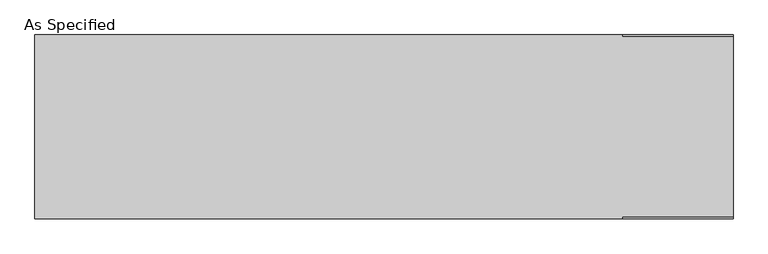
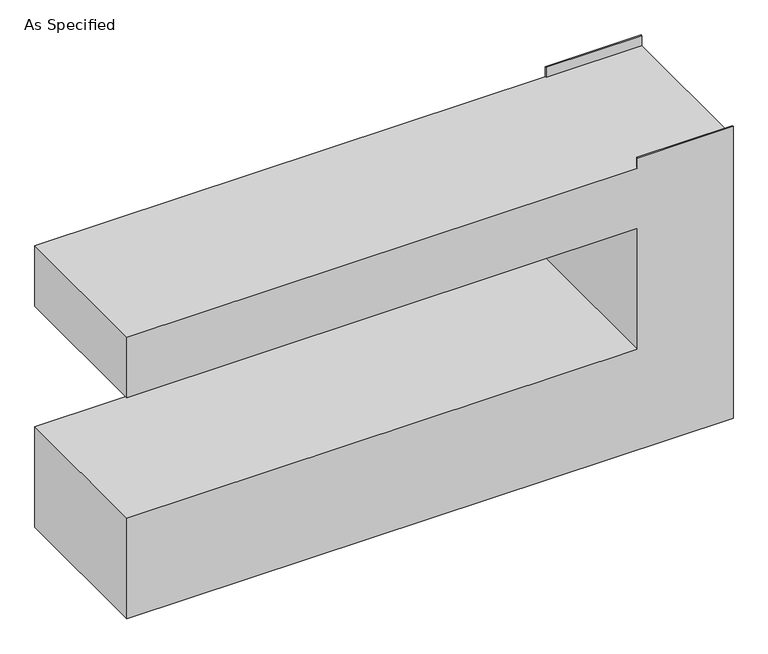
"""IFC4 building model written with IfcOpenShell, lengths in millimetres: proxy geometry, As Specified."""

from ifc_helpers import new_model, si_unit, origin, place, context, project, spatial, faceted_brep, source, transform, mapped, element, save


def as_specified_ff87a368(model_context):
    return source(origin(), model_context, "Body", "Brep", [
        faceted_brep([(-1447.8, 381.0, 1422.4), (-1447.8, -381.0, 1422.4), (990.6, -381.0, 1422.4), (990.6, -374.65, 1422.4), (1447.8, -374.65, 1422.4), (1447.8, 374.65, 1422.4), (990.6, 374.65, 1422.4), (990.6, 381.0, 1422.4), (1447.8, 381.0, 0.0), (1447.8, -381.0, 0.0), (-1447.8, -381.0, 0.0), (-1447.8, 381.0, 0.0), (-1447.8, 381.0, 508.0), (990.6, 381.0, 508.0), (990.6, 381.0, 1117.6), (-1447.8, 381.0, 1117.6), (990.6, 381.0, 1473.2), (1447.8, 381.0, 1473.2), (-1447.8, -381.0, 1117.6), (-1447.8, -381.0, 508.0), (1447.8, -381.0, 1473.2), (990.6, -381.0, 1473.2), (990.6, -381.0, 1117.6), (990.6, -381.0, 508.0), (1447.8, 374.65, 1473.2), (1447.8, -374.65, 1473.2), (990.6, -374.65, 1473.2), (990.6, 374.65, 1473.2)], [[[0, 1, 2, 3, 4, 5, 6, 7]], [[8, 9, 10, 11]], [[8, 11, 12, 13, 14, 15, 0, 7, 16, 17]], [[1, 0, 15, 18]], [[11, 10, 19, 12]], [[10, 9, 20, 21, 2, 1, 18, 22, 23, 19]], [[9, 8, 17, 24, 5, 4, 25, 20]], [[23, 13, 12, 19]], [[13, 23, 22, 14]], [[14, 22, 18, 15]], [[21, 26, 3, 2]], [[26, 21, 20, 25]], [[3, 26, 25, 4]], [[16, 7, 6, 27]], [[16, 27, 24, 17]], [[27, 6, 5, 24]]]),
    ])


if __name__ == "__main__":
    model = new_model("IFC4")
    model_context = context("Model", 3, world=origin())
    ifc_project = project(units=[si_unit("LENGTHUNIT", "METRE", prefix="MILLI")], contexts=[model_context])
    site = spatial("IfcSite", under=ifc_project)
    building = spatial("IfcBuilding", under=site)
    placement = place(None, origin())
    as_specified_shape = as_specified_ff87a368(model_context)
    element("IfcBuildingElementProxy", 1, Name="As Specified", ObjectType="As Specified", at=placement, inside=building, context=model_context, shape_type="MappedRepresentation", body=[
        mapped(as_specified_shape, transform((0.0, 0.0, 0.0), x_axis=(1.0, 0.0, 0.0), y_axis=(0.0, 1.0, 0.0), z_axis=(0.0, 0.0, 1.0))),
    ])
    save(model, "model.ifc")
